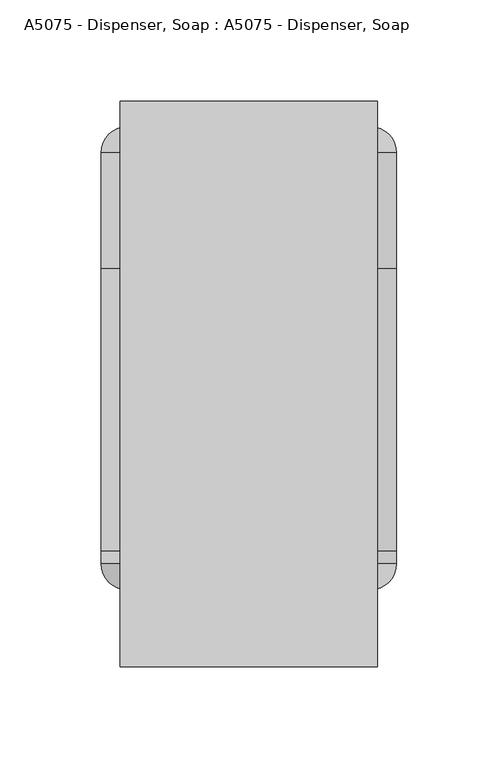
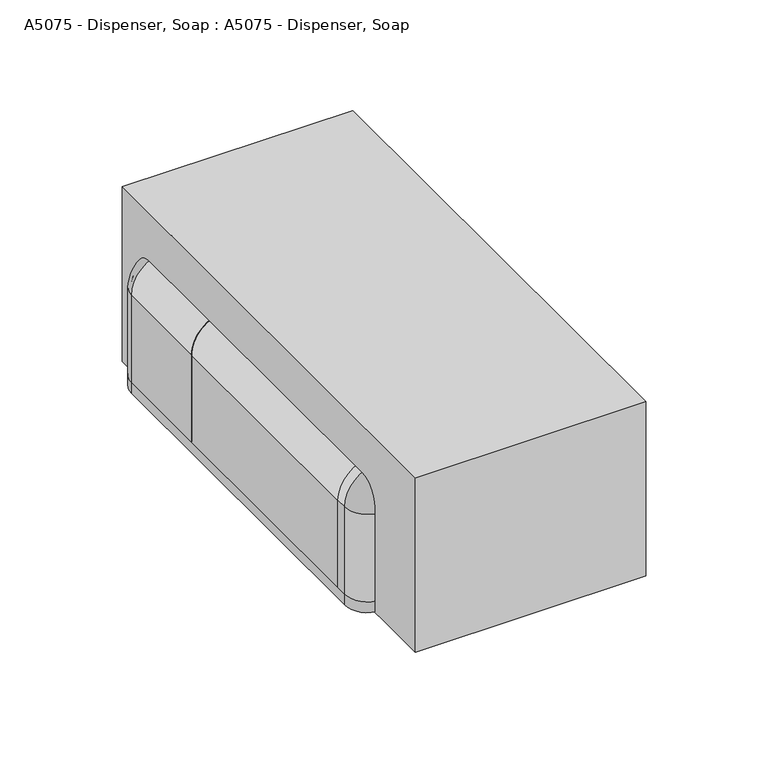
"""IFC4 building model written with IfcOpenShell, lengths in millimetres: proxy geometry, A5075 - Dispenser, Soap : A5075 - Dispenser, Soap."""

from ifc_helpers import new_model, si_unit, point, frame, frame_2d, origin, origin_with_axes, place, context, project, spatial, polyline, circle_curve, ellipse_curve, trimmed, segment, composite_curve, outline, extrude, source, transform, mapped, element, save
from ifc_brep_helpers import plane_surface, cylinder_surface, revolved_surface, advanced_brep


def a5075_dispenser_soap_a5075_dispenser_soap_cc7686cf(model_context):
    return source(origin(), model_context, "Body", "SolidModel", [
        advanced_brep(
        [(-73.025, -25.4, 6.35), (-60.325, -12.7, 6.35), (-60.325, -14.2875, 6.35), (-71.4375, -25.4, 6.35), (-71.4375, -82.55, 6.35), (-73.025, -82.55, 6.35), (-73.025, -82.55, 57.15), (-73.025, -25.4, 57.15), (-71.4375, -82.55, 57.15), (-53.975, -82.55, 74.6125), (53.975, -82.55, 74.6125), (71.4375, -82.55, 57.15), (71.4375, -82.55, 6.35), (73.025, -82.55, 6.35), (73.025, -82.55, 57.15), (53.975, -82.55, 76.2), (-53.975, -82.55, 76.2), (-71.4375, -25.4, 57.15), (-60.325, -14.2875, 57.15), (-60.325, -12.7, 57.15), (-53.975, -25.4, 76.2), (-53.975, -25.4, 74.6125), (-53.975, -14.2875, 63.5), (-53.975, -12.7, 63.5), (53.975, -25.4, 76.2), (53.975, -25.4, 74.6125), (53.975, -14.2875, 63.5), (53.975, -12.7, 63.5), (73.025, -25.4, 57.15), (71.4375, -25.4, 57.15), (60.325, -14.2875, 57.15), (60.325, -12.7, 57.15), (73.025, -25.4, 6.35), (71.4375, -25.4, 6.35), (60.325, -14.2875, 6.35), (60.325, -12.7, 6.35)],
        [
            (0, 1, circle_curve(frame((-60.325, -25.4, 6.35), z_axis=(0.0, 0.0, -1.0), x_axis=(1.0, 0.0, 0.0)), 12.7)),
            (1, 2),
            (2, 3, circle_curve(frame((-60.325, -25.4, 6.35), z_axis=(0.0, 0.0, 1.0), x_axis=(1.0, 0.0, 0.0)), 11.1125)),
            (3, 4),
            (4, 5),
            (5, 0),
            (5, 6),
            (6, 7),
            (7, 0),
            (4, 8),
            (8, 9, circle_curve(frame((-53.975, -82.55, 57.15), z_axis=(0.0, 1.0, 0.0), x_axis=(-1.0, 0.0, 0.0)), 17.4625)),
            (9, 10),
            (10, 11, circle_curve(frame((53.975, -82.55, 57.15), z_axis=(0.0, 1.0, 0.0), x_axis=(0.0, 0.0, 1.0)), 17.4625)),
            (11, 12),
            (12, 13),
            (13, 14),
            (14, 15, circle_curve(frame((53.975, -82.55, 57.15), z_axis=(0.0, -1.0, 0.0), x_axis=(0.0, 0.0, 1.0)), 19.05)),
            (15, 16),
            (16, 6, circle_curve(frame((-53.975, -82.55, 57.15), z_axis=(0.0, -1.0, 0.0), x_axis=(-1.0, 0.0, 0.0)), 19.05)),
            (3, 17),
            (17, 8),
            (2, 18),
            (18, 17, circle_curve(frame((-60.325, -25.4, 57.15), z_axis=(0.0, 0.0, 1.0), x_axis=(1.0, 0.0, 0.0)), 11.1125)),
            (1, 19),
            (19, 18),
            (7, 19, circle_curve(frame((-60.325, -25.4, 57.15), z_axis=(0.0, 0.0, -1.0), x_axis=(1.0, 0.0, 0.0)), 12.7)),
            (16, 20),
            (20, 7, circle_curve(frame((-53.975, -25.4, 57.15), z_axis=(0.0, -1.0, 0.0), x_axis=(-1.0, 0.0, 0.0)), 19.05)),
            (21, 9),
            (17, 21, circle_curve(frame((-53.975, -25.4, 57.15), z_axis=(0.0, 1.0, 0.0), x_axis=(-1.0, 0.0, 0.0)), 17.4625)),
            (22, 21, circle_curve(frame((-53.975, -25.4, 63.5), z_axis=(1.0, 0.0, 0.0), x_axis=(0.0, 0.0, -1.0)), 11.1125)),
            (18, 22, circle_curve(frame((-53.975, -14.2875, 57.15), z_axis=(0.0, 1.0, 0.0), x_axis=(-1.0, 0.0, 0.0)), 6.35)),
            (23, 22),
            (19, 23, circle_curve(frame((-53.975, -12.7, 57.15), z_axis=(0.0, 1.0, 0.0), x_axis=(-1.0, 0.0, 0.0)), 6.35)),
            (20, 23, circle_curve(frame((-53.975, -25.4, 63.5), z_axis=(-1.0, 0.0, 0.0), x_axis=(0.0, 0.0, -1.0)), 12.7)),
            (15, 24),
            (24, 20),
            (21, 25),
            (25, 10),
            (22, 26),
            (26, 25, circle_curve(frame((53.975, -25.4, 63.5), z_axis=(1.0, 0.0, 0.0), x_axis=(0.0, 0.0, -1.0)), 11.1125)),
            (23, 27),
            (27, 26),
            (24, 27, circle_curve(frame((53.975, -25.4, 63.5), z_axis=(-1.0, 0.0, 0.0), x_axis=(0.0, 0.0, -1.0)), 12.7)),
            (14, 28),
            (28, 24, circle_curve(frame((53.975, -25.4, 57.15), z_axis=(0.0, -1.0, 0.0), x_axis=(0.0, 0.0, 1.0)), 19.05)),
            (29, 11),
            (25, 29, circle_curve(frame((53.975, -25.4, 57.15), z_axis=(0.0, 1.0, 0.0), x_axis=(0.0, 0.0, 1.0)), 17.4625)),
            (30, 29, circle_curve(frame((60.325, -25.4, 57.15), z_axis=(0.0, 0.0, -1.0), x_axis=(-1.0, 0.0, 0.0)), 11.1125)),
            (26, 30, circle_curve(frame((53.975, -14.2875, 57.15), z_axis=(0.0, 1.0, 0.0), x_axis=(0.0, 0.0, 1.0)), 6.35)),
            (31, 30),
            (27, 31, circle_curve(frame((53.975, -12.7, 57.15), z_axis=(0.0, 1.0, 0.0), x_axis=(0.0, 0.0, 1.0)), 6.35)),
            (28, 31, circle_curve(frame((60.325, -25.4, 57.15), z_axis=(0.0, 0.0, 1.0), x_axis=(-1.0, 0.0, 0.0)), 12.7)),
            (32, 13),
            (12, 33),
            (33, 34, circle_curve(frame((60.325, -25.4, 6.35), z_axis=(0.0, 0.0, 1.0), x_axis=(-1.0, 0.0, 0.0)), 11.1125)),
            (34, 35),
            (35, 32, circle_curve(frame((60.325, -25.4, 6.35), z_axis=(0.0, 0.0, -1.0), x_axis=(-1.0, 0.0, 0.0)), 12.7)),
            (32, 28),
            (29, 33),
            (30, 34),
            (31, 35),
        ],
        [
            plane_surface(frame((-73.025, -12.7, 6.35), z_axis=(0.0, 0.0, -1.0), x_axis=(0.0, -1.0, 0.0))),
            plane_surface(frame((-73.025, -25.4, 6.35), z_axis=(-1.0, 0.0, 0.0), x_axis=(0.0, 0.0, 1.0))),
            plane_surface(frame((-73.025, -82.55, 6.35), z_axis=(0.0, -1.0, 0.0), x_axis=(0.0, 0.0, 1.0))),
            plane_surface(frame((-71.4375, -82.55, 6.35), z_axis=(1.0, 0.0, 0.0), x_axis=(0.0, 0.0, 1.0))),
            revolved_surface(polyline([(-49.212500000000006, -25.4, 57.15), (-49.212500000000006, -25.4, 6.35)]), (-60.325, -25.4, 6.35), (0.0, 0.0, 1.0)),
            plane_surface(frame((-60.325, -14.2875, 6.35), z_axis=(1.0, 0.0, 0.0), x_axis=(0.0, 0.0, 1.0))),
            cylinder_surface(frame((-60.325, -25.4, 6.35), z_axis=(0.0, 0.0, -1.0), x_axis=(1.0, 0.0, 0.0)), 12.7),
            cylinder_surface(frame((-53.975, -12.7, 57.15), z_axis=(0.0, -1.0, 0.0), x_axis=(-1.0, 0.0, 0.0)), 19.05),
            revolved_surface(polyline([(-71.4375, -82.55, 57.15), (-71.4375, -25.4, 57.15)]), (-53.975, -12.7, 57.15), (0.0, -1.0, 0.0)),
            revolved_surface(trimmed(ellipse_curve(frame((-60.325, -25.4, 57.15), z_axis=(0.0, 0.0, -1.0), x_axis=(1.0, 0.0, 0.0)), 11.1125, 11.1125), [point((-71.4375, -25.4, 57.15))], [point((-60.325, -14.2875, 57.15))], True, "CARTESIAN"), (-53.975, -12.7, 57.15), (0.0, -1.0, 0.0)),
            revolved_surface(polyline([(-60.325, -14.2875, 57.15), (-60.325, -12.7, 57.15)]), (-53.975, -12.7, 57.15), (0.0, -1.0, 0.0)),
            revolved_surface(trimmed(ellipse_curve(frame((-60.325, -25.4, 57.15), z_axis=(0.0, 0.0, 1.0), x_axis=(1.0, 0.0, 0.0)), 12.7, 12.7), [point((-60.325, -12.7, 57.15))], [point((-73.025, -25.4, 57.15))], True, "CARTESIAN"), (-53.975, -12.7, 57.15), (0.0, -1.0, 0.0)),
            plane_surface(frame((-53.975, -25.4, 76.2), z_axis=(0.0, 0.0, 1.0), x_axis=(1.0, 0.0, 0.0))),
            plane_surface(frame((-53.975, -82.55, 74.6125), z_axis=(0.0, 0.0, -1.0), x_axis=(1.0, 0.0, 0.0))),
            revolved_surface(polyline([(53.975, -25.4, 52.3875), (-53.975, -25.4, 52.3875)]), (-53.975, -25.4, 63.5), (1.0, 0.0, 0.0)),
            plane_surface(frame((-53.975, -14.2875, 63.5), z_axis=(0.0, 0.0, -1.0), x_axis=(1.0, 0.0, 0.0))),
            cylinder_surface(frame((-53.975, -25.4, 63.5), z_axis=(-1.0, 0.0, 0.0), x_axis=(0.0, 0.0, -1.0)), 12.7),
            cylinder_surface(frame((53.975, -12.7, 57.15), z_axis=(0.0, -1.0, 0.0), x_axis=(0.0, 0.0, 1.0)), 19.05),
            revolved_surface(polyline([(53.975, -82.55, 74.6125), (53.975, -25.4, 74.6125)]), (53.975, -12.7, 57.15), (0.0, -1.0, 0.0)),
            revolved_surface(trimmed(ellipse_curve(frame((53.975, -25.4, 63.5), z_axis=(-1.0, 0.0, 0.0), x_axis=(0.0, 0.0, -1.0)), 11.1125, 11.1125), [point((53.975, -25.4, 74.6125))], [point((53.975, -14.2875, 63.5))], True, "CARTESIAN"), (53.975, -12.7, 57.15), (0.0, -1.0, 0.0)),
            revolved_surface(polyline([(53.975, -14.2875, 63.5), (53.975, -12.7, 63.5)]), (53.975, -12.7, 57.15), (0.0, -1.0, 0.0)),
            revolved_surface(trimmed(ellipse_curve(frame((53.975, -25.4, 63.5), z_axis=(1.0, 0.0, 0.0), x_axis=(0.0, 0.0, -1.0)), 12.7, 12.7), [point((53.975, -12.7, 63.5))], [point((53.975, -25.4, 76.2))], True, "CARTESIAN"), (53.975, -12.7, 57.15), (0.0, -1.0, 0.0)),
            plane_surface(frame((73.025, -12.7, 6.35), z_axis=(0.0, 0.0, -1.0), x_axis=(0.0, -1.0, 0.0))),
            plane_surface(frame((73.025, -25.4, 57.15), z_axis=(1.0, 0.0, 0.0), x_axis=(0.0, 0.0, -1.0))),
            plane_surface(frame((71.4375, -82.55, 57.15), z_axis=(-1.0, 0.0, 0.0), x_axis=(0.0, 0.0, -1.0))),
            revolved_surface(polyline([(49.212500000000006, -25.4, 6.350000000000001), (49.212500000000006, -25.4, 57.15)]), (60.325, -25.4, 57.15), (0.0, 0.0, -1.0)),
            plane_surface(frame((60.325, -14.2875, 57.15), z_axis=(-1.0, 0.0, 0.0), x_axis=(0.0, 0.0, -1.0))),
            cylinder_surface(frame((60.325, -25.4, 57.15), z_axis=(0.0, 0.0, 1.0), x_axis=(-1.0, 0.0, 0.0)), 12.7),
        ],
        [
            (0, [[1, 2, 3, 4, 5, 6]]),
            (1, [[7, 8, 9, -6]]),
            (2, [[10, 11, 12, 13, 14, 15, 16, 17, 18, 19, -7, -5]]),
            (3, [[20, 21, -10, -4]]),
            (4, [[22, 23, -20, -3]]),
            (5, [[24, 25, -22, -2]]),
            (6, [[-9, 26, -24, -1]]),
            (7, [[27, 28, -8, -19]]),
            (8, [[29, -11, -21, 30]]),
            (9, [[31, -30, -23, 32]]),
            (10, [[33, -32, -25, 34]]),
            (11, [[35, -34, -26, -28]]),
            (12, [[-18, 36, 37, -27]]),
            (13, [[38, 39, -12, -29]]),
            (14, [[40, 41, -38, -31]]),
            (15, [[42, 43, -40, -33]]),
            (16, [[-37, 44, -42, -35]]),
            (17, [[45, 46, -36, -17]]),
            (18, [[47, -13, -39, 48]]),
            (19, [[49, -48, -41, 50]]),
            (20, [[51, -50, -43, 52]]),
            (21, [[53, -52, -44, -46]]),
            (22, [[54, -15, 55, 56, 57, 58]]),
            (23, [[-16, -54, 59, -45]]),
            (24, [[60, -55, -14, -47]]),
            (25, [[61, -56, -60, -49]]),
            (26, [[62, -57, -61, -51]]),
            (27, [[-59, -58, -62, -53]]),
        ],
    ),
        advanced_brep(
        [(-73.025, -228.6, 6.35), (-73.025, -222.25, 6.35), (-71.4375, -222.25, 6.35), (-71.4375, -228.6, 6.35), (-60.325, -239.7125, 6.35), (-60.325, -241.3, 6.35), (-60.325, -241.3, 57.15), (-73.025, -228.6, 57.15), (-60.325, -239.7125, 57.15), (-71.4375, -228.6, 57.15), (-71.4375, -222.25, 57.15), (-73.025, -222.25, 57.15), (-53.975, -222.25, 76.2), (53.975, -222.25, 76.2), (73.025, -222.25, 57.15), (73.025, -222.25, 6.35), (71.4375, -222.25, 6.35), (71.4375, -222.25, 57.15), (53.975, -222.25, 74.6125), (-53.975, -222.25, 74.6125), (-53.975, -241.3, 63.5), (-53.975, -228.6, 76.2), (-53.975, -239.7125, 63.5), (-53.975, -228.6, 74.6125), (53.975, -241.3, 63.5), (53.975, -228.6, 76.2), (53.975, -239.7125, 63.5), (53.975, -228.6, 74.6125), (60.325, -241.3, 57.15), (73.025, -228.6, 57.15), (60.325, -239.7125, 57.15), (71.4375, -228.6, 57.15), (73.025, -228.6, 6.35), (60.325, -241.3, 6.35), (60.325, -239.7125, 6.35), (71.4375, -228.6, 6.35)],
        [
            (0, 1),
            (1, 2),
            (2, 3),
            (3, 4, circle_curve(frame((-60.325, -228.6, 6.35), z_axis=(0.0, 0.0, 1.0), x_axis=(1.0, 0.0, 0.0)), 11.1125)),
            (4, 5),
            (5, 0, circle_curve(frame((-60.325, -228.6, 6.35), z_axis=(0.0, 0.0, -1.0), x_axis=(1.0, 0.0, 0.0)), 12.7)),
            (5, 6),
            (6, 7, circle_curve(frame((-60.325, -228.6, 57.15), z_axis=(0.0, 0.0, -1.0), x_axis=(1.0, 0.0, 0.0)), 12.7)),
            (7, 0),
            (4, 8),
            (8, 6),
            (3, 9),
            (9, 8, circle_curve(frame((-60.325, -228.6, 57.15), z_axis=(0.0, 0.0, 1.0), x_axis=(1.0, 0.0, 0.0)), 11.1125)),
            (2, 10),
            (10, 9),
            (1, 11),
            (11, 12, circle_curve(frame((-53.975, -222.25, 57.15), z_axis=(0.0, 1.0, 0.0), x_axis=(-1.0, 0.0, 0.0)), 19.05)),
            (12, 13),
            (13, 14, circle_curve(frame((53.975, -222.25, 57.15), z_axis=(0.0, 1.0, 0.0), x_axis=(0.0, 0.0, 1.0)), 19.05)),
            (14, 15),
            (15, 16),
            (16, 17),
            (17, 18, circle_curve(frame((53.975, -222.25, 57.15), z_axis=(0.0, -1.0, 0.0), x_axis=(0.0, 0.0, 1.0)), 17.4625)),
            (18, 19),
            (19, 10, circle_curve(frame((-53.975, -222.25, 57.15), z_axis=(0.0, -1.0, 0.0), x_axis=(-1.0, 0.0, 0.0)), 17.4625)),
            (7, 11),
            (20, 21, circle_curve(frame((-53.975, -228.6, 63.5), z_axis=(-1.0, 0.0, 0.0), x_axis=(0.0, 0.0, -1.0)), 12.7)),
            (21, 7, circle_curve(frame((-53.975, -228.6, 57.15), z_axis=(0.0, -1.0, 0.0), x_axis=(-1.0, 0.0, 0.0)), 19.05)),
            (6, 20, circle_curve(frame((-53.975, -241.3, 57.15), z_axis=(0.0, 1.0, 0.0), x_axis=(-1.0, 0.0, 0.0)), 6.35)),
            (22, 20),
            (8, 22, circle_curve(frame((-53.975, -239.7125, 57.15), z_axis=(0.0, 1.0, 0.0), x_axis=(-1.0, 0.0, 0.0)), 6.35)),
            (23, 22, circle_curve(frame((-53.975, -228.6, 63.5), z_axis=(1.0, 0.0, 0.0), x_axis=(0.0, 0.0, -1.0)), 11.1125)),
            (9, 23, circle_curve(frame((-53.975, -228.6, 57.15), z_axis=(0.0, 1.0, 0.0), x_axis=(-1.0, 0.0, 0.0)), 17.4625)),
            (19, 23),
            (21, 12),
            (20, 24),
            (24, 25, circle_curve(frame((53.975, -228.6, 63.5), z_axis=(-1.0, 0.0, 0.0), x_axis=(0.0, 0.0, -1.0)), 12.7)),
            (25, 21),
            (22, 26),
            (26, 24),
            (23, 27),
            (27, 26, circle_curve(frame((53.975, -228.6, 63.5), z_axis=(1.0, 0.0, 0.0), x_axis=(0.0, 0.0, -1.0)), 11.1125)),
            (18, 27),
            (25, 13),
            (28, 29, circle_curve(frame((60.325, -228.6, 57.15), z_axis=(0.0, 0.0, 1.0), x_axis=(-1.0, 0.0, 0.0)), 12.7)),
            (29, 25, circle_curve(frame((53.975, -228.6, 57.15), z_axis=(0.0, -1.0, 0.0), x_axis=(0.0, 0.0, 1.0)), 19.05)),
            (24, 28, circle_curve(frame((53.975, -241.3, 57.15), z_axis=(0.0, 1.0, 0.0), x_axis=(0.0, 0.0, 1.0)), 6.35)),
            (30, 28),
            (26, 30, circle_curve(frame((53.975, -239.7125, 57.15), z_axis=(0.0, 1.0, 0.0), x_axis=(0.0, 0.0, 1.0)), 6.35)),
            (31, 30, circle_curve(frame((60.325, -228.6, 57.15), z_axis=(0.0, 0.0, -1.0), x_axis=(-1.0, 0.0, 0.0)), 11.1125)),
            (27, 31, circle_curve(frame((53.975, -228.6, 57.15), z_axis=(0.0, 1.0, 0.0), x_axis=(0.0, 0.0, 1.0)), 17.4625)),
            (17, 31),
            (29, 14),
            (32, 33, circle_curve(frame((60.325, -228.6, 6.35), z_axis=(0.0, 0.0, -1.0), x_axis=(-1.0, 0.0, 0.0)), 12.7)),
            (33, 34),
            (34, 35, circle_curve(frame((60.325, -228.6, 6.35), z_axis=(0.0, 0.0, 1.0), x_axis=(-1.0, 0.0, 0.0)), 11.1125)),
            (35, 16),
            (15, 32),
            (28, 33),
            (32, 29),
            (30, 34),
            (31, 35),
        ],
        [
            plane_surface(frame((-73.025, -241.3, 6.35), z_axis=(0.0, 0.0, -1.0), x_axis=(0.0, -1.0, 0.0))),
            cylinder_surface(frame((-60.325, -228.6, 6.35), z_axis=(0.0, 0.0, -1.0), x_axis=(1.0, 0.0, 0.0)), 12.7),
            plane_surface(frame((-60.325, -241.3, 6.35), z_axis=(1.0, 0.0, 0.0), x_axis=(0.0, 0.0, 1.0))),
            revolved_surface(polyline([(-49.212500000000006, -228.6, 57.15), (-49.212500000000006, -228.6, 6.35)]), (-60.325, -228.6, 6.35), (0.0, 0.0, 1.0)),
            plane_surface(frame((-71.4375, -228.6, 6.35), z_axis=(1.0, 0.0, 0.0), x_axis=(0.0, 0.0, 1.0))),
            plane_surface(frame((-71.4375, -222.25, 6.35), z_axis=(0.0, 1.0, 0.0), x_axis=(0.0, 0.0, 1.0))),
            plane_surface(frame((-73.025, -222.25, 6.35), z_axis=(-1.0, 0.0, 0.0), x_axis=(0.0, 0.0, 1.0))),
            revolved_surface(trimmed(ellipse_curve(frame((-60.325, -228.6, 57.15), z_axis=(0.0, 0.0, 1.0), x_axis=(1.0, 0.0, 0.0)), 12.7, 12.7), [point((-73.025, -228.6, 57.15))], [point((-60.325, -241.3, 57.15))], True, "CARTESIAN"), (-53.975, -241.3, 57.15), (0.0, -1.0, 0.0)),
            revolved_surface(polyline([(-60.325, -241.3, 57.15), (-60.325, -239.7125, 57.15)]), (-53.975, -241.3, 57.15), (0.0, -1.0, 0.0)),
            revolved_surface(trimmed(ellipse_curve(frame((-60.325, -228.6, 57.15), z_axis=(0.0, 0.0, -1.0), x_axis=(1.0, 0.0, 0.0)), 11.1125, 11.1125), [point((-60.325, -239.7125, 57.15))], [point((-71.4375, -228.6, 57.15))], True, "CARTESIAN"), (-53.975, -241.3, 57.15), (0.0, -1.0, 0.0)),
            revolved_surface(polyline([(-71.4375, -228.6, 57.15), (-71.4375, -222.25, 57.15)]), (-53.975, -241.3, 57.15), (0.0, -1.0, 0.0)),
            cylinder_surface(frame((-53.975, -241.3, 57.15), z_axis=(0.0, -1.0, 0.0), x_axis=(-1.0, 0.0, 0.0)), 19.05),
            cylinder_surface(frame((-53.975, -228.6, 63.5), z_axis=(-1.0, 0.0, 0.0), x_axis=(0.0, 0.0, -1.0)), 12.7),
            plane_surface(frame((-53.975, -241.3, 63.5), z_axis=(0.0, 0.0, -1.0), x_axis=(1.0, 0.0, 0.0))),
            revolved_surface(polyline([(53.975, -228.6, 52.3875), (-53.975, -228.6, 52.3875)]), (-53.975, -228.6, 63.5), (1.0, 0.0, 0.0)),
            plane_surface(frame((-53.975, -228.6, 74.6125), z_axis=(0.0, 0.0, -1.0), x_axis=(1.0, 0.0, 0.0))),
            plane_surface(frame((-53.975, -222.25, 76.2), z_axis=(0.0, 0.0, 1.0), x_axis=(1.0, 0.0, 0.0))),
            revolved_surface(trimmed(ellipse_curve(frame((53.975, -228.6, 63.5), z_axis=(1.0, 0.0, 0.0), x_axis=(0.0, 0.0, -1.0)), 12.7, 12.7), [point((53.975, -228.6, 76.2))], [point((53.975, -241.3, 63.5))], True, "CARTESIAN"), (53.975, -241.3, 57.15), (0.0, -1.0, 0.0)),
            revolved_surface(polyline([(53.975, -241.3, 63.5), (53.975, -239.7125, 63.5)]), (53.975, -241.3, 57.15), (0.0, -1.0, 0.0)),
            revolved_surface(trimmed(ellipse_curve(frame((53.975, -228.6, 63.5), z_axis=(-1.0, 0.0, 0.0), x_axis=(0.0, 0.0, -1.0)), 11.1125, 11.1125), [point((53.975, -239.7125, 63.5))], [point((53.975, -228.6, 74.6125))], True, "CARTESIAN"), (53.975, -241.3, 57.15), (0.0, -1.0, 0.0)),
            revolved_surface(polyline([(53.975, -228.6, 74.6125), (53.975, -222.25, 74.6125)]), (53.975, -241.3, 57.15), (0.0, -1.0, 0.0)),
            cylinder_surface(frame((53.975, -241.3, 57.15), z_axis=(0.0, -1.0, 0.0), x_axis=(0.0, 0.0, 1.0)), 19.05),
            plane_surface(frame((73.025, -241.3, 6.35), z_axis=(0.0, 0.0, -1.0), x_axis=(0.0, -1.0, 0.0))),
            cylinder_surface(frame((60.325, -228.6, 57.15), z_axis=(0.0, 0.0, 1.0), x_axis=(-1.0, 0.0, 0.0)), 12.7),
            plane_surface(frame((60.325, -241.3, 57.15), z_axis=(-1.0, 0.0, 0.0), x_axis=(0.0, 0.0, -1.0))),
            revolved_surface(polyline([(49.212500000000006, -228.6, 6.350000000000001), (49.212500000000006, -228.6, 57.15)]), (60.325, -228.6, 57.15), (0.0, 0.0, -1.0)),
            plane_surface(frame((71.4375, -228.6, 57.15), z_axis=(-1.0, 0.0, 0.0), x_axis=(0.0, 0.0, -1.0))),
            plane_surface(frame((73.025, -222.25, 57.15), z_axis=(1.0, 0.0, 0.0), x_axis=(0.0, 0.0, -1.0))),
        ],
        [
            (0, [[1, 2, 3, 4, 5, 6]]),
            (1, [[7, 8, 9, -6]]),
            (2, [[10, 11, -7, -5]]),
            (3, [[12, 13, -10, -4]]),
            (4, [[14, 15, -12, -3]]),
            (5, [[16, 17, 18, 19, 20, 21, 22, 23, 24, 25, -14, -2]]),
            (6, [[-9, 26, -16, -1]]),
            (7, [[27, 28, -8, 29]]),
            (8, [[30, -29, -11, 31]]),
            (9, [[32, -31, -13, 33]]),
            (10, [[34, -33, -15, -25]]),
            (11, [[35, -17, -26, -28]]),
            (12, [[36, 37, 38, -27]]),
            (13, [[39, 40, -36, -30]]),
            (14, [[41, 42, -39, -32]]),
            (15, [[-24, 43, -41, -34]]),
            (16, [[-38, 44, -18, -35]]),
            (17, [[45, 46, -37, 47]]),
            (18, [[48, -47, -40, 49]]),
            (19, [[50, -49, -42, 51]]),
            (20, [[52, -51, -43, -23]]),
            (21, [[53, -19, -44, -46]]),
            (22, [[54, 55, 56, 57, -21, 58]]),
            (23, [[59, -54, 60, -45]]),
            (24, [[61, -55, -59, -48]]),
            (25, [[62, -56, -61, -50]]),
            (26, [[-22, -57, -62, -52]]),
            (27, [[-60, -58, -20, -53]]),
        ],
    ),
        extrude(outline(composite_curve([segment(polyline([(57.15, -73.025), (6.35, -73.025), (6.35, -71.4375), (57.15, -71.4375)]), True, "CONTINUOUS"), segment(trimmed(circle_curve(frame_2d((57.15, -53.975)), 17.4625), [point((57.15, -71.4375))], [point((74.6125, -53.975))], True, "CARTESIAN"), True, "CONTINUOUS"), segment(polyline([(74.6125, -53.975), (74.6125, 53.975)]), True, "CONTINUOUS"), segment(trimmed(circle_curve(frame_2d((57.15, 53.975)), 17.4625), [point((74.6125, 53.975))], [point((57.15, 71.4375))], True, "CARTESIAN"), True, "CONTINUOUS"), segment(polyline([(57.15, 71.4375), (6.35, 71.4375), (6.35, 73.025), (57.15, 73.025)]), True, "CONTINUOUS"), segment(trimmed(circle_curve(frame_2d((57.15, 53.975)), 19.05), [point((57.15, 73.025))], [point((76.2, 53.975))], False, "CARTESIAN"), True, "CONTINUOUS"), segment(polyline([(76.2, 53.975), (76.2, -53.975)]), True, "CONTINUOUS"), segment(trimmed(circle_curve(frame_2d((57.15, -53.975)), 19.05), [point((76.2, -53.975))], [point((57.15, -73.025))], False, "CARTESIAN"), True, "CONTINUOUS")], self_intersect=False)), frame((0.0, -222.25, 0.0), z_axis=(0.0, 1.0, 0.0), x_axis=(0.0, 0.0, 1.0)), (0.0, 0.0, 1.0), 139.7),
        extrude(outline(composite_curve([segment(polyline([(74.6125, 53.975), (74.6125, -53.975)]), True, "CONTINUOUS"), segment(trimmed(circle_curve(frame_2d((57.15, -53.975)), 17.4625), [point((74.6125, -53.975))], [point((57.15, -71.4375))], False, "CARTESIAN"), True, "CONTINUOUS"), segment(polyline([(57.15, -71.4375), (6.35, -71.4375), (6.35, 71.4375), (57.15, 71.4375)]), True, "CONTINUOUS"), segment(trimmed(circle_curve(frame_2d((57.15, 53.975)), 17.4625), [point((57.15, 71.4375))], [point((74.6125, 53.975))], False, "CARTESIAN"), True, "CONTINUOUS")], self_intersect=False)), frame((0.0, -184.4030988, 0.0), z_axis=(0.0, 1.0, 0.0), x_axis=(0.0, 0.0, 1.0)), (0.0, 0.0, 1.0), 101.8530988),
        extrude(outline(composite_curve([segment(trimmed(circle_curve(frame_2d((47.625, 0.0)), 9.525), [point((47.625, -9.525))], [point((47.625, 9.525))], False, "CARTESIAN"), True, "CONTINUOUS"), segment(trimmed(circle_curve(frame_2d((47.625, 0.0)), 9.525), [point((47.625, 9.525))], [point((47.625, -9.525))], False, "CARTESIAN"), True, "CONTINUOUS")], self_intersect=False)), frame((0.0, -12.7, 0.0), z_axis=(0.0, 1.0, 0.0), x_axis=(0.0, 0.0, 1.0)), (0.0, 0.0, 1.0), 12.7),
        extrude(outline(composite_curve([segment(trimmed(circle_curve(frame_2d((-9.525, -41.275)), 9.525), [point((-9.525, -50.8))], [point((-9.525, -31.75))], False, "CARTESIAN"), True, "CONTINUOUS"), segment(polyline([(-9.525, -31.75), (9.525, -31.75)]), True, "CONTINUOUS"), segment(trimmed(circle_curve(frame_2d((9.525, -41.275)), 9.525), [point((9.525, -31.75))], [point((9.525, -50.8))], False, "CARTESIAN"), True, "CONTINUOUS"), segment(polyline([(9.525, -50.8), (-9.525, -50.8)]), True, "CONTINUOUS")], self_intersect=False)), frame((0.0, 0.0, 76.2), z_axis=(0.0, 0.0, 1.0), x_axis=(1.0, 0.0, 0.0)), (0.0, 0.0, 1.0), 12.7),
        extrude(outline(composite_curve([segment(polyline([(6.35, -60.325), (6.35, 60.325), (57.15, 60.325)]), True, "CONTINUOUS"), segment(trimmed(circle_curve(frame_2d((57.15, 53.975)), 6.35), [point((57.15, 60.325))], [point((63.5, 53.975))], False, "CARTESIAN"), True, "CONTINUOUS"), segment(polyline([(63.5, 53.975), (63.5, -53.975)]), True, "CONTINUOUS"), segment(trimmed(circle_curve(frame_2d((57.15, -53.975)), 6.35), [point((63.5, -53.975))], [point((57.15, -60.325))], False, "CARTESIAN"), True, "CONTINUOUS"), segment(polyline([(57.15, -60.325), (6.35, -60.325)]), True, "CONTINUOUS")], self_intersect=False)), frame((0.0, -14.2875, 0.0), z_axis=(0.0, 1.0, 0.0), x_axis=(0.0, 0.0, 1.0)), (0.0, 0.0, 1.0), 1.5875),
        extrude(outline(composite_curve([segment(trimmed(circle_curve(frame_2d((-60.325, -228.6)), 12.7), [point((-60.325, -241.3))], [point((-73.025, -228.6))], False, "CARTESIAN"), True, "CONTINUOUS"), segment(polyline([(-73.025, -228.6), (-73.025, -25.4)]), True, "CONTINUOUS"), segment(trimmed(circle_curve(frame_2d((-60.325, -25.4)), 12.7), [point((-73.025, -25.4))], [point((-60.325, -12.7))], False, "CARTESIAN"), True, "CONTINUOUS"), segment(polyline([(-60.325, -12.7), (60.325, -12.7)]), True, "CONTINUOUS"), segment(trimmed(circle_curve(frame_2d((60.325, -25.4)), 12.7), [point((60.325, -12.7))], [point((73.025, -25.4))], False, "CARTESIAN"), True, "CONTINUOUS"), segment(polyline([(73.025, -25.4), (73.025, -228.6)]), True, "CONTINUOUS"), segment(trimmed(circle_curve(frame_2d((60.325, -228.6)), 12.7), [point((73.025, -228.6))], [point((60.325, -241.3))], False, "CARTESIAN"), True, "CONTINUOUS"), segment(polyline([(60.325, -241.3), (-60.325, -241.3)]), True, "CONTINUOUS")], self_intersect=False)), origin_with_axes(), (0.0, 0.0, 1.0), 6.35),
        extrude(outline(polyline([(63.5, -279.4), (-63.5, -279.4), (-63.5, 0.0), (63.5, 0.0), (63.5, -279.4)])), origin_with_axes(), (0.0, 0.0, 1.0), 101.6),
        extrude(outline(composite_curve([segment(polyline([(6.35, -60.325), (6.35, 60.325), (57.15, 60.325)]), True, "CONTINUOUS"), segment(trimmed(circle_curve(frame_2d((57.15, 53.975)), 6.35), [point((57.15, 60.325))], [point((63.5, 53.975))], False, "CARTESIAN"), True, "CONTINUOUS"), segment(polyline([(63.5, 53.975), (63.5, -53.975)]), True, "CONTINUOUS"), segment(trimmed(circle_curve(frame_2d((57.15, -53.975)), 6.35), [point((63.5, -53.975))], [point((57.15, -60.325))], False, "CARTESIAN"), True, "CONTINUOUS"), segment(polyline([(57.15, -60.325), (6.35, -60.325)]), True, "CONTINUOUS")], self_intersect=False)), frame((0.0, -241.3, 0.0), z_axis=(0.0, 1.0, 0.0), x_axis=(0.0, 0.0, 1.0)), (0.0, 0.0, 1.0), 1.5875),
    ])


if __name__ == "__main__":
    model = new_model("IFC4")
    model_context = context("Model", 3, world=origin())
    ifc_project = project(units=[si_unit("LENGTHUNIT", "METRE", prefix="MILLI")], contexts=[model_context])
    site = spatial("IfcSite", under=ifc_project)
    building = spatial("IfcBuilding", under=site)
    placement = place(None, origin())
    a5075_dispenser_soap_a5075_dispenser_soap_shape = a5075_dispenser_soap_a5075_dispenser_soap_cc7686cf(model_context)
    element("IfcBuildingElementProxy", 1, Name="A5075 - Dispenser, Soap : A5075 - Dispenser, Soap", ObjectType="A5075 - Dispenser, Soap : A5075 - Dispenser, Soap", at=placement, inside=building, context=model_context, shape_type="MappedRepresentation", body=[
        mapped(a5075_dispenser_soap_a5075_dispenser_soap_shape, transform((0.0, 0.0, 0.0), x_axis=(1.0, 0.0, 0.0), y_axis=(0.0, 1.0, 0.0), z_axis=(0.0, 0.0, 1.0))),
    ])
    save(model, "model.ifc")
